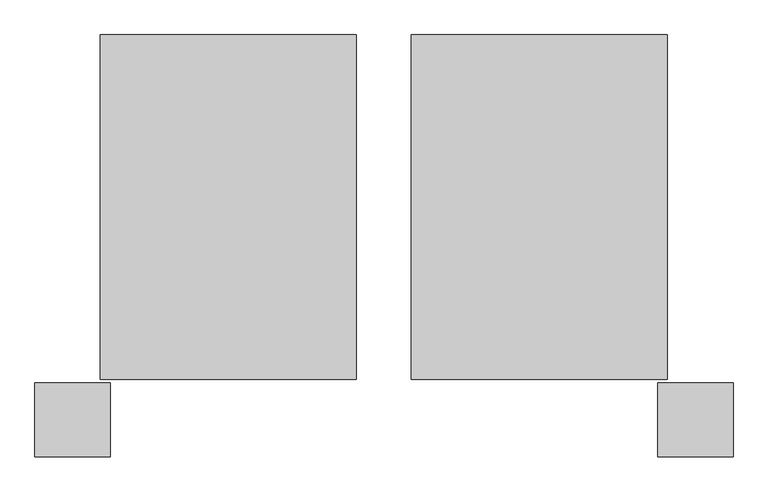
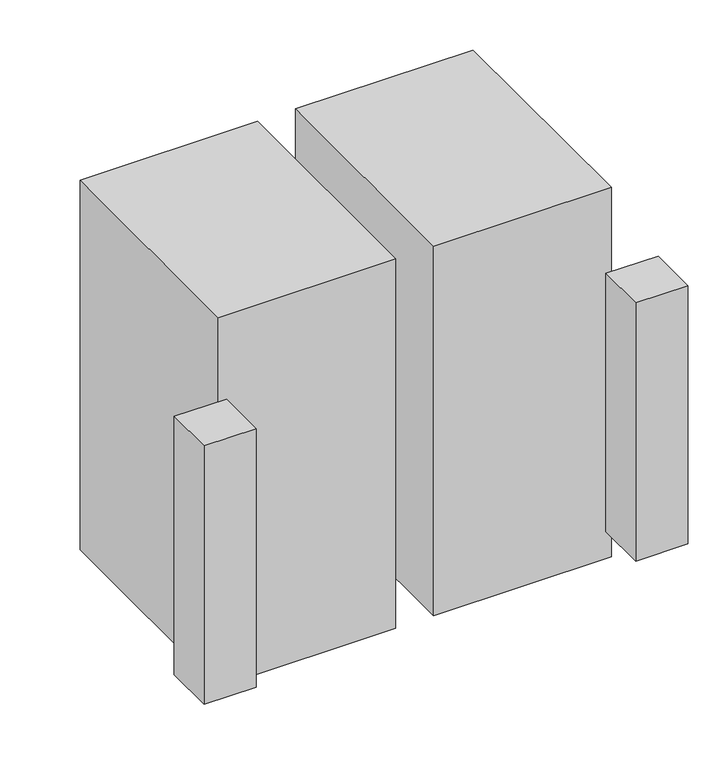
"""IFC4 building model written with IfcOpenShell, lengths in millimetres: proxy geometry."""

import ifcopenshell
import ifcopenshell.guid

model = None  # the IFC model being written
_history = None  # IfcOwnerHistory: only IFC2X3 demands one
_inside = {}  # id of a spatial element -> (the spatial element, [elements in it])
_under = {}  # id of a project, library or spatial element -> (it, [spatial elements below it])
_declared = {}  # id of a project -> (the project, [libraries it declares])
_typed = {}  # id of a type object -> (the type object, [elements of that type])
_made_of = {}  # id of a material, layer set ... -> (it, [elements and type objects made of it])


def new_model(schema):
    """Start an empty IFC model of exactly this schema.

    Asked for "IFC4X3", IfcOpenShell would pick the latest addendum, in which some entities
    have other attributes; the version numbers below select the first issue.
    IFC2X3 requires an IfcOwnerHistory on every rooted entity: one is made here for all.
    """
    global model, _history
    if schema == "IFC4X3":
        model = ifcopenshell.file(schema_version=(4, 3, 0, 0))
    else:
        model = ifcopenshell.file(schema=schema)
    _inside.clear()
    _under.clear()
    _declared.clear()
    _typed.clear()
    _made_of.clear()
    _history = None
    if model.schema == "IFC2X3":
        org = make("IfcOrganization", Name="unknown")
        user = make(
            "IfcPersonAndOrganization",
            ThePerson=make("IfcPerson", FamilyName="unknown"),
            TheOrganization=org,
        )
        app = make(
            "IfcApplication",
            ApplicationDeveloper=org,
            Version="unknown",
            ApplicationFullName="unknown",
            ApplicationIdentifier="unknown",
        )
        _history = make(
            "IfcOwnerHistory",
            OwningUser=user,
            OwningApplication=app,
            ChangeAction="ADDED",
            CreationDate=0,
        )
    return model


def make(cls, **values):
    """One entity of the class cls with the attributes given. An attribute that is None is left unset."""
    return model.create_entity(
        cls, **{name: value for name, value in values.items() if value is not None}
    )


def rooted(cls, **values):
    """An entity with a GlobalId (a new one), such as an element, a storey or a relation."""
    return make(cls, GlobalId=ifcopenshell.guid.new(), OwnerHistory=_history, **values)


def si_unit(unit_type, name, prefix=None):
    """IfcSIUnit, for example si_unit("LENGTHUNIT", "METRE", prefix="MILLI")."""
    return make("IfcSIUnit", UnitType=unit_type, Prefix=prefix, Name=name)


def assignment(units):
    """IfcUnitAssignment: the units of a project."""
    return None if units is None else make("IfcUnitAssignment", Units=units)


def point(xyz):
    """IfcCartesianPoint."""
    return None if xyz is None else make("IfcCartesianPoint", Coordinates=xyz)


def direction(xyz):
    """IfcDirection."""
    return None if xyz is None else make("IfcDirection", DirectionRatios=xyz)


def frame(location, z_axis=None, x_axis=None):
    """IfcAxis2Placement3D, a coordinate frame: its origin and axes. An axis left out is left unset."""
    return make(
        "IfcAxis2Placement3D",
        Location=point(location),
        Axis=direction(z_axis),
        RefDirection=direction(x_axis),
    )


def origin():
    """The frame at (0, 0, 0) with its axes left unset."""
    return frame((0.0, 0.0, 0.0))


def origin_with_axes():
    """The frame at (0, 0, 0) with the z axis (0, 0, 1) and the x axis (1, 0, 0) written out."""
    return frame((0.0, 0.0, 0.0), z_axis=(0.0, 0.0, 1.0), x_axis=(1.0, 0.0, 0.0))


def place(relative_to, where):
    """IfcLocalPlacement: puts the frame where relative to a parent placement (None: the world)."""
    return make(
        "IfcLocalPlacement", PlacementRelTo=relative_to, RelativePlacement=where
    )


def context(
    kind, dimensions, precision=None, world=None, true_north=None, identifier=None
):
    """IfcGeometricRepresentationContext, for example the 3D "Model" context."""
    return make(
        "IfcGeometricRepresentationContext",
        ContextIdentifier=identifier,
        ContextType=kind,
        CoordinateSpaceDimension=dimensions,
        Precision=precision,
        WorldCoordinateSystem=world,
        TrueNorth=true_north,
    )


def project(units=None, contexts=None):
    """IfcProject with its units and contexts."""
    return rooted(
        "IfcProject",
        Name="project",
        RepresentationContexts=contexts,
        UnitsInContext=assignment(units),
    )


def spatial(cls, under=None, at=None, **own):
    """A site, building, storey or space (cls), placed at a placement, below another one or the project."""
    s = rooted(cls, ObjectPlacement=at, **own)
    if under is not None:
        _under.setdefault(under.id(), (under, []))[1].append(s)
    return s


def polyline(points):
    """IfcPolyline through the points."""
    return make("IfcPolyline", Points=[point(p) for p in points])


def outline(outer, holes=None, kind="AREA"):
    """IfcArbitraryClosedProfileDef: a profile drawn as a closed curve; with holes, ...WithVoids."""
    if holes is None:
        return make("IfcArbitraryClosedProfileDef", ProfileType=kind, OuterCurve=outer)
    return make(
        "IfcArbitraryProfileDefWithVoids",
        ProfileType=kind,
        OuterCurve=outer,
        InnerCurves=holes,
    )


def extrude(swept, where, along, depth):
    """IfcExtrudedAreaSolid: the profile swept, set in the frame where, extruded along a direction by depth."""
    return make(
        "IfcExtrudedAreaSolid",
        SweptArea=swept,
        Position=where,
        ExtrudedDirection=direction(along),
        Depth=depth,
    )


def shape(context_of_items, identifier, shape_type, items):
    """IfcShapeRepresentation: the items that make up one representation, for example the "Body"."""
    return make(
        "IfcShapeRepresentation",
        ContextOfItems=context_of_items,
        RepresentationIdentifier=identifier,
        RepresentationType=shape_type,
        Items=items,
    )


def source(mapping_origin, context_of_items, identifier, shape_type, items):
    """IfcRepresentationMap: a shape defined once, which mapped items show again and again."""
    return make(
        "IfcRepresentationMap",
        MappingOrigin=mapping_origin,
        MappedRepresentation=shape(context_of_items, identifier, shape_type, items),
    )


def transform(
    local_origin,
    x_axis=None,
    y_axis=None,
    z_axis=None,
    scale=None,
    scale2=None,
    scale3=None,
    uniform=True,
):
    """IfcCartesianTransformationOperator3D, or its non-uniform kind. x_axis, y_axis, z_axis: its Axis1, 2, 3."""
    if uniform:
        return make(
            "IfcCartesianTransformationOperator3D",
            Axis1=direction(x_axis),
            Axis2=direction(y_axis),
            LocalOrigin=point(local_origin),
            Scale=scale,
            Axis3=direction(z_axis),
        )
    return make(
        "IfcCartesianTransformationOperator3DnonUniform",
        Axis1=direction(x_axis),
        Axis2=direction(y_axis),
        LocalOrigin=point(local_origin),
        Scale=scale,
        Axis3=direction(z_axis),
        Scale2=scale2,
        Scale3=scale3,
    )


def mapped(mapping_source, mapping_target):
    """IfcMappedItem: shows the shape of a source again, moved by a transform."""
    return make(
        "IfcMappedItem", MappingSource=mapping_source, MappingTarget=mapping_target
    )


def made_of(thing, what):
    """Note that an element or type object is made of a material, layer set ...; save() writes the relation."""
    if what is not None:
        _made_of.setdefault(what.id(), (what, []))[1].append(thing)
    return thing


def element(
    cls,
    number,
    at=None,
    inside=None,
    cuts=None,
    type_object=None,
    material=None,
    context=None,
    identifier="Body",
    shape_type=None,
    held_by="IfcProductDefinitionShape",
    body=None,
    shapes=None,
    **own,
):
    """One element of the class cls, such as IfcWall. Its Tag is "e" and its number.

    at: its placement. inside: the storey or other place that contains it. cuts: it is an
    opening in that element (IfcRelVoidsElement). A single representation is given by context,
    identifier, shape_type and body (its items); several are given by shapes. held_by: the class
    of the entity that holds the representations. save() writes the other relations.
    """
    e = rooted(cls, Tag="e%d" % number, ObjectPlacement=at, **own)
    if body is not None:
        shapes = [shape(context, identifier, shape_type, body)]
    if shapes is not None:
        e.Representation = make(held_by, Representations=shapes)
    if inside is not None:
        _inside.setdefault(inside.id(), (inside, []))[1].append(e)
    if cuts is not None:
        rooted(
            "IfcRelVoidsElement", RelatingBuildingElement=cuts, RelatedOpeningElement=e
        )
    if type_object is not None:
        _typed.setdefault(type_object.id(), (type_object, []))[1].append(e)
    return made_of(e, material)


def aggregate(whole, parts):
    """IfcRelAggregates: a whole, such as a stair, and the parts it consists of."""
    return rooted("IfcRelAggregates", RelatingObject=whole, RelatedObjects=parts)


def save(model, path):
    """Write the relations noted so far, then the file.

    IfcRelAggregates (storeys below a building ...), IfcRelContainedInSpatialStructure (elements
    in a storey), IfcRelDefinesByType, IfcRelAssociatesMaterial and IfcRelDeclares: one each for
    every whole, place, type object, material and project.
    """
    for whole, parts in _under.values():
        aggregate(whole, parts)
    for where, things in _inside.values():
        rooted(
            "IfcRelContainedInSpatialStructure",
            RelatedElements=things,
            RelatingStructure=where,
        )
    for kind, things in _typed.values():
        rooted("IfcRelDefinesByType", RelatedObjects=things, RelatingType=kind)
    for what, things in _made_of.values():
        rooted("IfcRelAssociatesMaterial", RelatedObjects=things, RelatingMaterial=what)
    for by, libraries in _declared.values():
        rooted("IfcRelDeclares", RelatingContext=by, RelatedDefinitions=libraries)
    model.write(path)


def specialty_equipment_558a1fd1(model_context):
    return source(origin(), model_context, "Body", "SweptSolid", [
        extrude(outline(polyline([(2096.7801792, -756.8559817), (907.7553792, -756.8559817), (907.7553792, 844.7620203), (2096.7801792, 844.7620203), (2096.7801792, -756.8559817)])), frame((0.0, 0.0, -203.2), z_axis=(0.0, 0.0, 1.0), x_axis=(1.0, 0.0, 0.0)), (0.0, 0.0, 1.0), 2616.2),
        extrude(outline(polyline([(653.4945657, -756.8559817), (-535.5302343, -756.8559817), (-535.5302343, 844.7620203), (653.4945657, 844.7620203), (653.4945657, -756.8559817)])), frame((0.0, 0.0, -203.2), z_axis=(0.0, 0.0, 1.0), x_axis=(1.0, 0.0, 0.0)), (0.0, 0.0, 1.0), 2616.2),
        extrude(outline(polyline([(2403.0533792, -1117.1004608), (2053.0413792, -1117.1004608), (2053.0413792, -772.6039817), (2403.0533792, -772.6039817), (2403.0533792, -1117.1004608)])), origin_with_axes(), (0.0, 0.0, 1.0), 1828.8),
        extrude(outline(polyline([(-488.6672343, -1117.1004608), (-838.6792343, -1117.1004608), (-838.6792343, -772.6039817), (-488.6672343, -772.6039817), (-488.6672343, -1117.1004608)])), origin_with_axes(), (0.0, 0.0, 1.0), 1828.8),
    ])


if __name__ == "__main__":
    model = new_model("IFC4")
    model_context = context("Model", 3, world=origin())
    ifc_project = project(units=[si_unit("LENGTHUNIT", "METRE", prefix="MILLI")], contexts=[model_context])
    site = spatial("IfcSite", under=ifc_project)
    building = spatial("IfcBuilding", under=site)
    placement = place(None, origin())
    specialty_equipment_shape = specialty_equipment_558a1fd1(model_context)
    element("IfcBuildingElementProxy", 1, Name="Specialty Equipment", at=placement, inside=building, context=model_context, shape_type="MappedRepresentation", body=[
        mapped(specialty_equipment_shape, transform((0.0, 0.0, 0.0), x_axis=(1.0, 0.0, 0.0), y_axis=(0.0, 1.0, 0.0), z_axis=(0.0, 0.0, 1.0))),
    ])
    save(model, "model.ifc")
